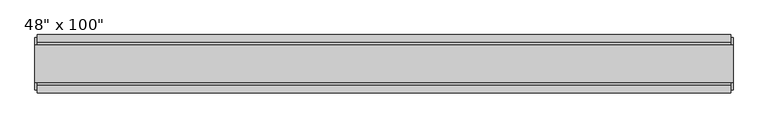
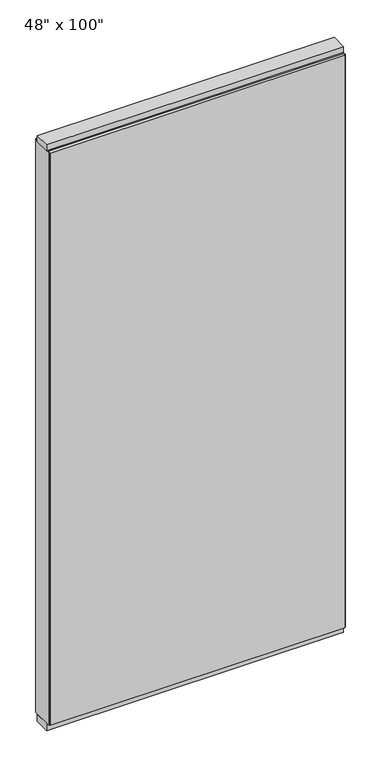
"""IFC4 building model written with IfcOpenShell, lengths in millimetres: furniture geometry."""

import ifcopenshell
import ifcopenshell.guid

model = None  # the IFC model being written
_history = None  # IfcOwnerHistory: only IFC2X3 demands one
_inside = {}  # id of a spatial element -> (the spatial element, [elements in it])
_under = {}  # id of a project, library or spatial element -> (it, [spatial elements below it])
_declared = {}  # id of a project -> (the project, [libraries it declares])
_typed = {}  # id of a type object -> (the type object, [elements of that type])
_made_of = {}  # id of a material, layer set ... -> (it, [elements and type objects made of it])


def new_model(schema):
    """Start an empty IFC model of exactly this schema.

    Asked for "IFC4X3", IfcOpenShell would pick the latest addendum, in which some entities
    have other attributes; the version numbers below select the first issue.
    IFC2X3 requires an IfcOwnerHistory on every rooted entity: one is made here for all.
    """
    global model, _history
    if schema == "IFC4X3":
        model = ifcopenshell.file(schema_version=(4, 3, 0, 0))
    else:
        model = ifcopenshell.file(schema=schema)
    _inside.clear()
    _under.clear()
    _declared.clear()
    _typed.clear()
    _made_of.clear()
    _history = None
    if model.schema == "IFC2X3":
        org = make("IfcOrganization", Name="unknown")
        user = make(
            "IfcPersonAndOrganization",
            ThePerson=make("IfcPerson", FamilyName="unknown"),
            TheOrganization=org,
        )
        app = make(
            "IfcApplication",
            ApplicationDeveloper=org,
            Version="unknown",
            ApplicationFullName="unknown",
            ApplicationIdentifier="unknown",
        )
        _history = make(
            "IfcOwnerHistory",
            OwningUser=user,
            OwningApplication=app,
            ChangeAction="ADDED",
            CreationDate=0,
        )
    return model


def make(cls, **values):
    """One entity of the class cls with the attributes given. An attribute that is None is left unset."""
    return model.create_entity(
        cls, **{name: value for name, value in values.items() if value is not None}
    )


def rooted(cls, **values):
    """An entity with a GlobalId (a new one), such as an element, a storey or a relation."""
    return make(cls, GlobalId=ifcopenshell.guid.new(), OwnerHistory=_history, **values)


def si_unit(unit_type, name, prefix=None):
    """IfcSIUnit, for example si_unit("LENGTHUNIT", "METRE", prefix="MILLI")."""
    return make("IfcSIUnit", UnitType=unit_type, Prefix=prefix, Name=name)


def assignment(units):
    """IfcUnitAssignment: the units of a project."""
    return None if units is None else make("IfcUnitAssignment", Units=units)


def point(xyz):
    """IfcCartesianPoint."""
    return None if xyz is None else make("IfcCartesianPoint", Coordinates=xyz)


def direction(xyz):
    """IfcDirection."""
    return None if xyz is None else make("IfcDirection", DirectionRatios=xyz)


def frame(location, z_axis=None, x_axis=None):
    """IfcAxis2Placement3D, a coordinate frame: its origin and axes. An axis left out is left unset."""
    return make(
        "IfcAxis2Placement3D",
        Location=point(location),
        Axis=direction(z_axis),
        RefDirection=direction(x_axis),
    )


def origin():
    """The frame at (0, 0, 0) with its axes left unset."""
    return frame((0.0, 0.0, 0.0))


def origin_with_axes():
    """The frame at (0, 0, 0) with the z axis (0, 0, 1) and the x axis (1, 0, 0) written out."""
    return frame((0.0, 0.0, 0.0), z_axis=(0.0, 0.0, 1.0), x_axis=(1.0, 0.0, 0.0))


def place(relative_to, where):
    """IfcLocalPlacement: puts the frame where relative to a parent placement (None: the world)."""
    return make(
        "IfcLocalPlacement", PlacementRelTo=relative_to, RelativePlacement=where
    )


def context(
    kind, dimensions, precision=None, world=None, true_north=None, identifier=None
):
    """IfcGeometricRepresentationContext, for example the 3D "Model" context."""
    return make(
        "IfcGeometricRepresentationContext",
        ContextIdentifier=identifier,
        ContextType=kind,
        CoordinateSpaceDimension=dimensions,
        Precision=precision,
        WorldCoordinateSystem=world,
        TrueNorth=true_north,
    )


def project(units=None, contexts=None):
    """IfcProject with its units and contexts."""
    return rooted(
        "IfcProject",
        Name="project",
        RepresentationContexts=contexts,
        UnitsInContext=assignment(units),
    )


def spatial(cls, under=None, at=None, **own):
    """A site, building, storey or space (cls), placed at a placement, below another one or the project."""
    s = rooted(cls, ObjectPlacement=at, **own)
    if under is not None:
        _under.setdefault(under.id(), (under, []))[1].append(s)
    return s


def polyline(points):
    """IfcPolyline through the points."""
    return make("IfcPolyline", Points=[point(p) for p in points])


def outline(outer, holes=None, kind="AREA"):
    """IfcArbitraryClosedProfileDef: a profile drawn as a closed curve; with holes, ...WithVoids."""
    if holes is None:
        return make("IfcArbitraryClosedProfileDef", ProfileType=kind, OuterCurve=outer)
    return make(
        "IfcArbitraryProfileDefWithVoids",
        ProfileType=kind,
        OuterCurve=outer,
        InnerCurves=holes,
    )


def extrude(swept, where, along, depth):
    """IfcExtrudedAreaSolid: the profile swept, set in the frame where, extruded along a direction by depth."""
    return make(
        "IfcExtrudedAreaSolid",
        SweptArea=swept,
        Position=where,
        ExtrudedDirection=direction(along),
        Depth=depth,
    )


def shape(context_of_items, identifier, shape_type, items):
    """IfcShapeRepresentation: the items that make up one representation, for example the "Body"."""
    return make(
        "IfcShapeRepresentation",
        ContextOfItems=context_of_items,
        RepresentationIdentifier=identifier,
        RepresentationType=shape_type,
        Items=items,
    )


def source(mapping_origin, context_of_items, identifier, shape_type, items):
    """IfcRepresentationMap: a shape defined once, which mapped items show again and again."""
    return make(
        "IfcRepresentationMap",
        MappingOrigin=mapping_origin,
        MappedRepresentation=shape(context_of_items, identifier, shape_type, items),
    )


def transform(
    local_origin,
    x_axis=None,
    y_axis=None,
    z_axis=None,
    scale=None,
    scale2=None,
    scale3=None,
    uniform=True,
):
    """IfcCartesianTransformationOperator3D, or its non-uniform kind. x_axis, y_axis, z_axis: its Axis1, 2, 3."""
    if uniform:
        return make(
            "IfcCartesianTransformationOperator3D",
            Axis1=direction(x_axis),
            Axis2=direction(y_axis),
            LocalOrigin=point(local_origin),
            Scale=scale,
            Axis3=direction(z_axis),
        )
    return make(
        "IfcCartesianTransformationOperator3DnonUniform",
        Axis1=direction(x_axis),
        Axis2=direction(y_axis),
        LocalOrigin=point(local_origin),
        Scale=scale,
        Axis3=direction(z_axis),
        Scale2=scale2,
        Scale3=scale3,
    )


def mapped(mapping_source, mapping_target):
    """IfcMappedItem: shows the shape of a source again, moved by a transform."""
    return make(
        "IfcMappedItem", MappingSource=mapping_source, MappingTarget=mapping_target
    )


def made_of(thing, what):
    """Note that an element or type object is made of a material, layer set ...; save() writes the relation."""
    if what is not None:
        _made_of.setdefault(what.id(), (what, []))[1].append(thing)
    return thing


def element(
    cls,
    number,
    at=None,
    inside=None,
    cuts=None,
    type_object=None,
    material=None,
    context=None,
    identifier="Body",
    shape_type=None,
    held_by="IfcProductDefinitionShape",
    body=None,
    shapes=None,
    **own,
):
    """One element of the class cls, such as IfcWall. Its Tag is "e" and its number.

    at: its placement. inside: the storey or other place that contains it. cuts: it is an
    opening in that element (IfcRelVoidsElement). A single representation is given by context,
    identifier, shape_type and body (its items); several are given by shapes. held_by: the class
    of the entity that holds the representations. save() writes the other relations.
    """
    e = rooted(cls, Tag="e%d" % number, ObjectPlacement=at, **own)
    if body is not None:
        shapes = [shape(context, identifier, shape_type, body)]
    if shapes is not None:
        e.Representation = make(held_by, Representations=shapes)
    if inside is not None:
        _inside.setdefault(inside.id(), (inside, []))[1].append(e)
    if cuts is not None:
        rooted(
            "IfcRelVoidsElement", RelatingBuildingElement=cuts, RelatedOpeningElement=e
        )
    if type_object is not None:
        _typed.setdefault(type_object.id(), (type_object, []))[1].append(e)
    return made_of(e, material)


def aggregate(whole, parts):
    """IfcRelAggregates: a whole, such as a stair, and the parts it consists of."""
    return rooted("IfcRelAggregates", RelatingObject=whole, RelatedObjects=parts)


def save(model, path):
    """Write the relations noted so far, then the file.

    IfcRelAggregates (storeys below a building ...), IfcRelContainedInSpatialStructure (elements
    in a storey), IfcRelDefinesByType, IfcRelAssociatesMaterial and IfcRelDeclares: one each for
    every whole, place, type object, material and project.
    """
    for whole, parts in _under.values():
        aggregate(whole, parts)
    for where, things in _inside.values():
        rooted(
            "IfcRelContainedInSpatialStructure",
            RelatedElements=things,
            RelatingStructure=where,
        )
    for kind, things in _typed.values():
        rooted("IfcRelDefinesByType", RelatedObjects=things, RelatingType=kind)
    for what, things in _made_of.values():
        rooted("IfcRelAssociatesMaterial", RelatedObjects=things, RelatingMaterial=what)
    for by, libraries in _declared.values():
        rooted("IfcRelDeclares", RelatingContext=by, RelatedDefinitions=libraries)
    model.write(path)


def furniture_7d4e0ff5(model_context):
    return source(origin(), model_context, "Body", "SweptSolid", [
        extrude(outline(polyline([(545.6264771, 46.2822784), (545.6264771, 33.5822784), (-665.6995229, 33.5822784), (-665.6995229, 46.2822784), (545.6264771, 46.2822784)])), frame((0.0, 0.0, 31.75), z_axis=(0.0, 0.0, 1.0), x_axis=(1.0, 0.0, 0.0)), (0.0, 0.0, 1.0), 2482.85),
        extrude(outline(polyline([(545.6264771, -55.3177216), (-665.6995229, -55.3177216), (-665.6995229, -42.6177216), (545.6264771, -42.6177216), (545.6264771, -55.3177216)])), frame((0.0, 0.0, 31.75), z_axis=(0.0, 0.0, 1.0), x_axis=(1.0, 0.0, 0.0)), (0.0, 0.0, 1.0), 2482.85),
        extrude(outline(polyline([(-42.6177216, 2478.278), (-42.6177216, 2514.6), (33.5822784, 2514.6), (33.5822784, 2478.278), (28.6292784, 2478.278), (28.6292784, 2473.325), (-37.6647216, 2473.325), (-37.6647216, 2478.278), (-42.6177216, 2478.278)])), frame((-665.6995229, 0.0, 0.0), z_axis=(1.0, 0.0, 0.0), x_axis=(0.0, 1.0, 0.0)), (0.0, 0.0, 1.0), 1211.326),
        extrude(outline(polyline([(549.5634771, 27.9942784), (549.5634771, -37.0297216), (-669.6365229, -37.0297216), (-669.6365229, 27.9942784), (549.5634771, 27.9942784)])), origin_with_axes(), (0.0, 0.0, 1.0), 31.75),
        extrude(outline(polyline([(-669.6365229, -37.0297216), (-669.6365229, 27.9942784), (549.5634771, 27.9942784), (549.5634771, -37.0297216), (-669.6365229, -37.0297216)])), frame((0.0, 0.0, 2514.6), z_axis=(0.0, 0.0, 1.0), x_axis=(1.0, 0.0, 0.0)), (0.0, 0.0, 1.0), 25.4),
        extrude(outline(polyline([(549.5634771, -50.3647216), (545.6264771, -50.3647216), (545.6264771, 41.3292784), (549.5634771, 41.3292784), (549.5634771, -50.3647216)])), frame((0.0, 0.0, 31.75), z_axis=(0.0, 0.0, 1.0), x_axis=(1.0, 0.0, 0.0)), (0.0, 0.0, 1.0), 2482.85),
        extrude(outline(polyline([(-669.6365229, -50.3647216), (-669.6365229, 41.3292784), (-665.6995229, 41.3292784), (-665.6995229, -50.3647216), (-669.6365229, -50.3647216)])), frame((0.0, 0.0, 31.75), z_axis=(0.0, 0.0, 1.0), x_axis=(1.0, 0.0, 0.0)), (0.0, 0.0, 1.0), 2482.85),
    ])


if __name__ == "__main__":
    model = new_model("IFC4")
    model_context = context("Model", 3, world=origin())
    ifc_project = project(units=[si_unit("LENGTHUNIT", "METRE", prefix="MILLI")], contexts=[model_context])
    site = spatial("IfcSite", under=ifc_project)
    building = spatial("IfcBuilding", under=site)
    placement = place(None, origin())
    furniture_shape = furniture_7d4e0ff5(model_context)
    element("IfcFurniture", 1, ObjectType="48\" x 100\"", at=placement, inside=building, context=model_context, shape_type="MappedRepresentation", body=[
        mapped(furniture_shape, transform((0.0, 0.0, 0.0), x_axis=(1.0, 0.0, 0.0), y_axis=(0.0, 1.0, 0.0), z_axis=(0.0, 0.0, 1.0))),
    ])
    save(model, "model.ifc")
